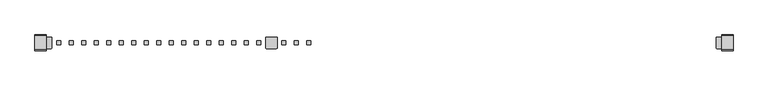
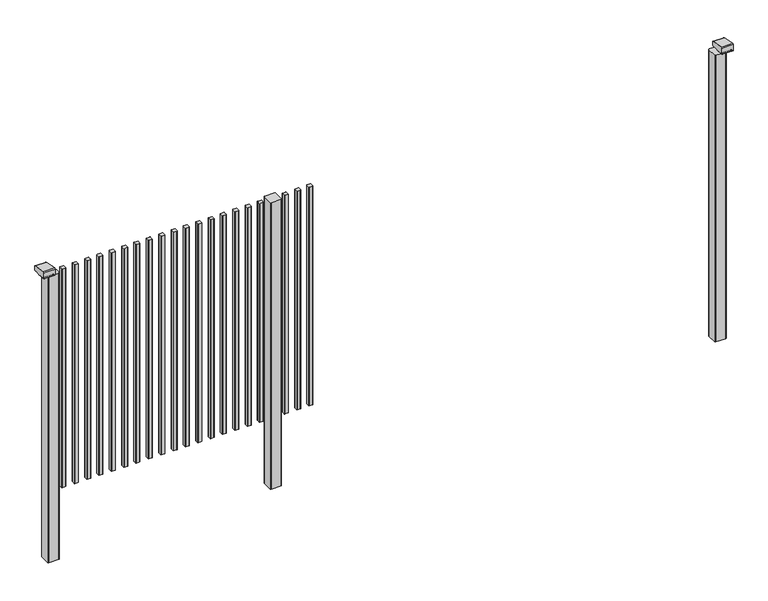
"""IFC4 building model written with IfcOpenShell, lengths in millimetres: railing geometry."""

from ifc_helpers import new_model, si_unit, point, frame, frame_2d, origin, place, context, project, spatial, polyline, circle_curve, trimmed, segment, composite_curve, outline, extrude, source, transform, mapped, element, save
from ifc_brep_helpers import plane_surface, cylinder_surface, advanced_brep


def railing_2c5ab343(model_context):
    return source(origin(), model_context, "Body", "SolidModel", [
        extrude(outline(composite_curve([segment(trimmed(circle_curve(frame_2d((4870.4613577, 8468.4508236)), 1.4), [point((4869.0613577, 8468.4508236))], [point((4870.4613577, 8469.8508236))], False, "CARTESIAN"), True, "CONTINUOUS"), segment(polyline([(4870.4613577, 8469.8508236), (4885.6613607, 8469.8508236)]), True, "CONTINUOUS"), segment(trimmed(circle_curve(frame_2d((4885.6613607, 8468.4508236)), 1.4), [point((4885.6613607, 8469.8508236))], [point((4887.0613607, 8468.4508236))], False, "CARTESIAN"), True, "CONTINUOUS"), segment(polyline([(4887.0613607, 8468.4508236), (4887.0613607, 8453.2507846)]), True, "CONTINUOUS"), segment(trimmed(circle_curve(frame_2d((4885.6613607, 8453.2507846)), 1.4), [point((4887.0613607, 8453.2507846))], [point((4885.6613607, 8451.8507846))], False, "CARTESIAN"), True, "CONTINUOUS"), segment(polyline([(4885.6613607, 8451.8507846), (4870.4613577, 8451.8507846)]), True, "CONTINUOUS"), segment(trimmed(circle_curve(frame_2d((4870.4613577, 8453.2507846)), 1.4), [point((4870.4613577, 8451.8507846))], [point((4869.0613577, 8453.2507846))], False, "CARTESIAN"), True, "CONTINUOUS"), segment(polyline([(4869.0613577, 8453.2507846), (4869.0613577, 8468.4508236)]), True, "CONTINUOUS")], self_intersect=False)), frame((0.0, 0.0, 125.0), z_axis=(0.0, 0.0, 1.0), x_axis=(1.0, 0.0, 0.0)), (0.0, 0.0, 1.0), 1039.2785397),
        extrude(outline(composite_curve([segment(trimmed(circle_curve(frame_2d((4814.9058021, 8468.4508236)), 1.4), [point((4813.5058021, 8468.4508236))], [point((4814.9058021, 8469.8508236))], False, "CARTESIAN"), True, "CONTINUOUS"), segment(polyline([(4814.9058021, 8469.8508236), (4830.1058051, 8469.8508236)]), True, "CONTINUOUS"), segment(trimmed(circle_curve(frame_2d((4830.1058051, 8468.4508236)), 1.4), [point((4830.1058051, 8469.8508236))], [point((4831.5058051, 8468.4508236))], False, "CARTESIAN"), True, "CONTINUOUS"), segment(polyline([(4831.5058051, 8468.4508236), (4831.5058051, 8453.2507846)]), True, "CONTINUOUS"), segment(trimmed(circle_curve(frame_2d((4830.1058051, 8453.2507846)), 1.4), [point((4831.5058051, 8453.2507846))], [point((4830.1058051, 8451.8507846))], False, "CARTESIAN"), True, "CONTINUOUS"), segment(polyline([(4830.1058051, 8451.8507846), (4814.9058021, 8451.8507846)]), True, "CONTINUOUS"), segment(trimmed(circle_curve(frame_2d((4814.9058021, 8453.2507846)), 1.4), [point((4814.9058021, 8451.8507846))], [point((4813.5058021, 8453.2507846))], False, "CARTESIAN"), True, "CONTINUOUS"), segment(polyline([(4813.5058021, 8453.2507846), (4813.5058021, 8468.4508236)]), True, "CONTINUOUS")], self_intersect=False)), frame((0.0, 0.0, 125.0), z_axis=(0.0, 0.0, 1.0), x_axis=(1.0, 0.0, 0.0)), (0.0, 0.0, 1.0), 1039.2785397),
        extrude(outline(composite_curve([segment(trimmed(circle_curve(frame_2d((4759.3502466, 8468.4508236)), 1.4), [point((4757.9502466, 8468.4508236))], [point((4759.3502466, 8469.8508236))], False, "CARTESIAN"), True, "CONTINUOUS"), segment(polyline([(4759.3502466, 8469.8508236), (4774.5502496, 8469.8508236)]), True, "CONTINUOUS"), segment(trimmed(circle_curve(frame_2d((4774.5502496, 8468.4508236)), 1.4), [point((4774.5502496, 8469.8508236))], [point((4775.9502496, 8468.4508236))], False, "CARTESIAN"), True, "CONTINUOUS"), segment(polyline([(4775.9502496, 8468.4508236), (4775.9502496, 8453.2507846)]), True, "CONTINUOUS"), segment(trimmed(circle_curve(frame_2d((4774.5502496, 8453.2507846)), 1.4), [point((4775.9502496, 8453.2507846))], [point((4774.5502496, 8451.8507846))], False, "CARTESIAN"), True, "CONTINUOUS"), segment(polyline([(4774.5502496, 8451.8507846), (4759.3502466, 8451.8507846)]), True, "CONTINUOUS"), segment(trimmed(circle_curve(frame_2d((4759.3502466, 8453.2507846)), 1.4), [point((4759.3502466, 8451.8507846))], [point((4757.9502466, 8453.2507846))], False, "CARTESIAN"), True, "CONTINUOUS"), segment(polyline([(4757.9502466, 8453.2507846), (4757.9502466, 8468.4508236)]), True, "CONTINUOUS")], self_intersect=False)), frame((0.0, 0.0, 125.0), z_axis=(0.0, 0.0, 1.0), x_axis=(1.0, 0.0, 0.0)), (0.0, 0.0, 1.0), 1039.2785397),
        extrude(outline(composite_curve([segment(trimmed(circle_curve(frame_2d((4733.7947043, 8483.2508153)), 3.0), [point((4733.794704, 8486.2508153))], [point((4736.7947043, 8483.2508156))], False, "CARTESIAN"), True, "CONTINUOUS"), segment(polyline([(4736.7947043, 8483.2508156), (4736.7947083, 8438.4507926)]), True, "CONTINUOUS"), segment(trimmed(circle_curve(frame_2d((4733.7947083, 8438.4507923)), 3.0), [point((4736.7947083, 8438.4507926))], [point((4733.7947086, 8435.4507923))], False, "CARTESIAN"), True, "CONTINUOUS"), segment(polyline([(4733.7947086, 8435.4507923), (4688.9946856, 8435.4507883)]), True, "CONTINUOUS"), segment(trimmed(circle_curve(frame_2d((4688.9946853, 8438.4507883)), 3.0), [point((4688.9946856, 8435.4507883))], [point((4685.9946853, 8438.450788))], False, "CARTESIAN"), True, "CONTINUOUS"), segment(polyline([(4685.9946853, 8438.450788), (4685.9946813, 8483.250811)]), True, "CONTINUOUS"), segment(trimmed(circle_curve(frame_2d((4688.9946813, 8483.2508113)), 3.0), [point((4685.9946813, 8483.250811))], [point((4688.994681, 8486.2508113))], False, "CARTESIAN"), True, "CONTINUOUS"), segment(polyline([(4688.994681, 8486.2508113), (4733.794704, 8486.2508153)]), True, "CONTINUOUS")], self_intersect=False)), frame((0.0, 0.0, -198.0), z_axis=(0.0, 0.0, 1.0), x_axis=(1.0, 0.0, 0.0)), (0.0, 0.0, 1.0), 1362.2785397),
        extrude(outline(composite_curve([segment(trimmed(circle_curve(frame_2d((4648.2391355, 8468.4508236)), 1.4), [point((4646.8391355, 8468.4508236))], [point((4648.2391355, 8469.8508236))], False, "CARTESIAN"), True, "CONTINUOUS"), segment(polyline([(4648.2391355, 8469.8508236), (4663.4391385, 8469.8508236)]), True, "CONTINUOUS"), segment(trimmed(circle_curve(frame_2d((4663.4391385, 8468.4508236)), 1.4), [point((4663.4391385, 8469.8508236))], [point((4664.8391385, 8468.4508236))], False, "CARTESIAN"), True, "CONTINUOUS"), segment(polyline([(4664.8391385, 8468.4508236), (4664.8391385, 8453.2507846)]), True, "CONTINUOUS"), segment(trimmed(circle_curve(frame_2d((4663.4391385, 8453.2507846)), 1.4), [point((4664.8391385, 8453.2507846))], [point((4663.4391385, 8451.8507846))], False, "CARTESIAN"), True, "CONTINUOUS"), segment(polyline([(4663.4391385, 8451.8507846), (4648.2391355, 8451.8507846)]), True, "CONTINUOUS"), segment(trimmed(circle_curve(frame_2d((4648.2391355, 8453.2507846)), 1.4), [point((4648.2391355, 8451.8507846))], [point((4646.8391355, 8453.2507846))], False, "CARTESIAN"), True, "CONTINUOUS"), segment(polyline([(4646.8391355, 8453.2507846), (4646.8391355, 8468.4508236)]), True, "CONTINUOUS")], self_intersect=False)), frame((0.0, 0.0, 125.0), z_axis=(0.0, 0.0, 1.0), x_axis=(1.0, 0.0, 0.0)), (0.0, 0.0, 1.0), 1039.2785397),
        extrude(outline(composite_curve([segment(trimmed(circle_curve(frame_2d((4592.6835799, 8468.4508236)), 1.4), [point((4591.2835799, 8468.4508236))], [point((4592.6835799, 8469.8508236))], False, "CARTESIAN"), True, "CONTINUOUS"), segment(polyline([(4592.6835799, 8469.8508236), (4607.8835829, 8469.8508236)]), True, "CONTINUOUS"), segment(trimmed(circle_curve(frame_2d((4607.8835829, 8468.4508236)), 1.4), [point((4607.8835829, 8469.8508236))], [point((4609.2835829, 8468.4508236))], False, "CARTESIAN"), True, "CONTINUOUS"), segment(polyline([(4609.2835829, 8468.4508236), (4609.2835829, 8453.2507846)]), True, "CONTINUOUS"), segment(trimmed(circle_curve(frame_2d((4607.8835829, 8453.2507846)), 1.4), [point((4609.2835829, 8453.2507846))], [point((4607.8835829, 8451.8507846))], False, "CARTESIAN"), True, "CONTINUOUS"), segment(polyline([(4607.8835829, 8451.8507846), (4592.6835799, 8451.8507846)]), True, "CONTINUOUS"), segment(trimmed(circle_curve(frame_2d((4592.6835799, 8453.2507846)), 1.4), [point((4592.6835799, 8451.8507846))], [point((4591.2835799, 8453.2507846))], False, "CARTESIAN"), True, "CONTINUOUS"), segment(polyline([(4591.2835799, 8453.2507846), (4591.2835799, 8468.4508236)]), True, "CONTINUOUS")], self_intersect=False)), frame((0.0, 0.0, 125.0), z_axis=(0.0, 0.0, 1.0), x_axis=(1.0, 0.0, 0.0)), (0.0, 0.0, 1.0), 1039.2785397),
        extrude(outline(composite_curve([segment(trimmed(circle_curve(frame_2d((4537.1280244, 8468.4508236)), 1.4), [point((4535.7280244, 8468.4508236))], [point((4537.1280244, 8469.8508236))], False, "CARTESIAN"), True, "CONTINUOUS"), segment(polyline([(4537.1280244, 8469.8508236), (4552.3280274, 8469.8508236)]), True, "CONTINUOUS"), segment(trimmed(circle_curve(frame_2d((4552.3280274, 8468.4508236)), 1.4), [point((4552.3280274, 8469.8508236))], [point((4553.7280274, 8468.4508236))], False, "CARTESIAN"), True, "CONTINUOUS"), segment(polyline([(4553.7280274, 8468.4508236), (4553.7280274, 8453.2507846)]), True, "CONTINUOUS"), segment(trimmed(circle_curve(frame_2d((4552.3280274, 8453.2507846)), 1.4), [point((4553.7280274, 8453.2507846))], [point((4552.3280274, 8451.8507846))], False, "CARTESIAN"), True, "CONTINUOUS"), segment(polyline([(4552.3280274, 8451.8507846), (4537.1280244, 8451.8507846)]), True, "CONTINUOUS"), segment(trimmed(circle_curve(frame_2d((4537.1280244, 8453.2507846)), 1.4), [point((4537.1280244, 8451.8507846))], [point((4535.7280244, 8453.2507846))], False, "CARTESIAN"), True, "CONTINUOUS"), segment(polyline([(4535.7280244, 8453.2507846), (4535.7280244, 8468.4508236)]), True, "CONTINUOUS")], self_intersect=False)), frame((0.0, 0.0, 125.0), z_axis=(0.0, 0.0, 1.0), x_axis=(1.0, 0.0, 0.0)), (0.0, 0.0, 1.0), 1039.2785397),
        extrude(outline(composite_curve([segment(trimmed(circle_curve(frame_2d((4481.5724688, 8468.4508236)), 1.4), [point((4480.1724688, 8468.4508236))], [point((4481.5724688, 8469.8508236))], False, "CARTESIAN"), True, "CONTINUOUS"), segment(polyline([(4481.5724688, 8469.8508236), (4496.7724718, 8469.8508236)]), True, "CONTINUOUS"), segment(trimmed(circle_curve(frame_2d((4496.7724718, 8468.4508236)), 1.4), [point((4496.7724718, 8469.8508236))], [point((4498.1724718, 8468.4508236))], False, "CARTESIAN"), True, "CONTINUOUS"), segment(polyline([(4498.1724718, 8468.4508236), (4498.1724718, 8453.2507846)]), True, "CONTINUOUS"), segment(trimmed(circle_curve(frame_2d((4496.7724718, 8453.2507846)), 1.4), [point((4498.1724718, 8453.2507846))], [point((4496.7724718, 8451.8507846))], False, "CARTESIAN"), True, "CONTINUOUS"), segment(polyline([(4496.7724718, 8451.8507846), (4481.5724688, 8451.8507846)]), True, "CONTINUOUS"), segment(trimmed(circle_curve(frame_2d((4481.5724688, 8453.2507846)), 1.4), [point((4481.5724688, 8451.8507846))], [point((4480.1724688, 8453.2507846))], False, "CARTESIAN"), True, "CONTINUOUS"), segment(polyline([(4480.1724688, 8453.2507846), (4480.1724688, 8468.4508236)]), True, "CONTINUOUS")], self_intersect=False)), frame((0.0, 0.0, 125.0), z_axis=(0.0, 0.0, 1.0), x_axis=(1.0, 0.0, 0.0)), (0.0, 0.0, 1.0), 1039.2785397),
        extrude(outline(composite_curve([segment(trimmed(circle_curve(frame_2d((4426.0169133, 8468.4508236)), 1.4), [point((4424.6169133, 8468.4508236))], [point((4426.0169133, 8469.8508236))], False, "CARTESIAN"), True, "CONTINUOUS"), segment(polyline([(4426.0169133, 8469.8508236), (4441.2169163, 8469.8508236)]), True, "CONTINUOUS"), segment(trimmed(circle_curve(frame_2d((4441.2169163, 8468.4508236)), 1.4), [point((4441.2169163, 8469.8508236))], [point((4442.6169163, 8468.4508236))], False, "CARTESIAN"), True, "CONTINUOUS"), segment(polyline([(4442.6169163, 8468.4508236), (4442.6169163, 8453.2507846)]), True, "CONTINUOUS"), segment(trimmed(circle_curve(frame_2d((4441.2169163, 8453.2507846)), 1.4), [point((4442.6169163, 8453.2507846))], [point((4441.2169163, 8451.8507846))], False, "CARTESIAN"), True, "CONTINUOUS"), segment(polyline([(4441.2169163, 8451.8507846), (4426.0169133, 8451.8507846)]), True, "CONTINUOUS"), segment(trimmed(circle_curve(frame_2d((4426.0169133, 8453.2507846)), 1.4), [point((4426.0169133, 8451.8507846))], [point((4424.6169133, 8453.2507846))], False, "CARTESIAN"), True, "CONTINUOUS"), segment(polyline([(4424.6169133, 8453.2507846), (4424.6169133, 8468.4508236)]), True, "CONTINUOUS")], self_intersect=False)), frame((0.0, 0.0, 125.0), z_axis=(0.0, 0.0, 1.0), x_axis=(1.0, 0.0, 0.0)), (0.0, 0.0, 1.0), 1039.2785397),
        extrude(outline(composite_curve([segment(trimmed(circle_curve(frame_2d((4370.4613577, 8468.4508236)), 1.4), [point((4369.0613577, 8468.4508236))], [point((4370.4613577, 8469.8508236))], False, "CARTESIAN"), True, "CONTINUOUS"), segment(polyline([(4370.4613577, 8469.8508236), (4385.6613607, 8469.8508236)]), True, "CONTINUOUS"), segment(trimmed(circle_curve(frame_2d((4385.6613607, 8468.4508236)), 1.4), [point((4385.6613607, 8469.8508236))], [point((4387.0613607, 8468.4508236))], False, "CARTESIAN"), True, "CONTINUOUS"), segment(polyline([(4387.0613607, 8468.4508236), (4387.0613607, 8453.2507846)]), True, "CONTINUOUS"), segment(trimmed(circle_curve(frame_2d((4385.6613607, 8453.2507846)), 1.4), [point((4387.0613607, 8453.2507846))], [point((4385.6613607, 8451.8507846))], False, "CARTESIAN"), True, "CONTINUOUS"), segment(polyline([(4385.6613607, 8451.8507846), (4370.4613577, 8451.8507846)]), True, "CONTINUOUS"), segment(trimmed(circle_curve(frame_2d((4370.4613577, 8453.2507846)), 1.4), [point((4370.4613577, 8451.8507846))], [point((4369.0613577, 8453.2507846))], False, "CARTESIAN"), True, "CONTINUOUS"), segment(polyline([(4369.0613577, 8453.2507846), (4369.0613577, 8468.4508236)]), True, "CONTINUOUS")], self_intersect=False)), frame((0.0, 0.0, 125.0), z_axis=(0.0, 0.0, 1.0), x_axis=(1.0, 0.0, 0.0)), (0.0, 0.0, 1.0), 1039.2785397),
        extrude(outline(composite_curve([segment(trimmed(circle_curve(frame_2d((4314.9058021, 8468.4508236)), 1.4), [point((4313.5058021, 8468.4508236))], [point((4314.9058021, 8469.8508236))], False, "CARTESIAN"), True, "CONTINUOUS"), segment(polyline([(4314.9058021, 8469.8508236), (4330.1058051, 8469.8508236)]), True, "CONTINUOUS"), segment(trimmed(circle_curve(frame_2d((4330.1058051, 8468.4508236)), 1.4), [point((4330.1058051, 8469.8508236))], [point((4331.5058051, 8468.4508236))], False, "CARTESIAN"), True, "CONTINUOUS"), segment(polyline([(4331.5058051, 8468.4508236), (4331.5058051, 8453.2507846)]), True, "CONTINUOUS"), segment(trimmed(circle_curve(frame_2d((4330.1058051, 8453.2507846)), 1.4), [point((4331.5058051, 8453.2507846))], [point((4330.1058051, 8451.8507846))], False, "CARTESIAN"), True, "CONTINUOUS"), segment(polyline([(4330.1058051, 8451.8507846), (4314.9058021, 8451.8507846)]), True, "CONTINUOUS"), segment(trimmed(circle_curve(frame_2d((4314.9058021, 8453.2507846)), 1.4), [point((4314.9058021, 8451.8507846))], [point((4313.5058021, 8453.2507846))], False, "CARTESIAN"), True, "CONTINUOUS"), segment(polyline([(4313.5058021, 8453.2507846), (4313.5058021, 8468.4508236)]), True, "CONTINUOUS")], self_intersect=False)), frame((0.0, 0.0, 125.0), z_axis=(0.0, 0.0, 1.0), x_axis=(1.0, 0.0, 0.0)), (0.0, 0.0, 1.0), 1039.2785397),
        extrude(outline(composite_curve([segment(trimmed(circle_curve(frame_2d((4259.3502466, 8468.4508236)), 1.4), [point((4257.9502466, 8468.4508236))], [point((4259.3502466, 8469.8508236))], False, "CARTESIAN"), True, "CONTINUOUS"), segment(polyline([(4259.3502466, 8469.8508236), (4274.5502496, 8469.8508236)]), True, "CONTINUOUS"), segment(trimmed(circle_curve(frame_2d((4274.5502496, 8468.4508236)), 1.4), [point((4274.5502496, 8469.8508236))], [point((4275.9502496, 8468.4508236))], False, "CARTESIAN"), True, "CONTINUOUS"), segment(polyline([(4275.9502496, 8468.4508236), (4275.9502496, 8453.2507846)]), True, "CONTINUOUS"), segment(trimmed(circle_curve(frame_2d((4274.5502496, 8453.2507846)), 1.4), [point((4275.9502496, 8453.2507846))], [point((4274.5502496, 8451.8507846))], False, "CARTESIAN"), True, "CONTINUOUS"), segment(polyline([(4274.5502496, 8451.8507846), (4259.3502466, 8451.8507846)]), True, "CONTINUOUS"), segment(trimmed(circle_curve(frame_2d((4259.3502466, 8453.2507846)), 1.4), [point((4259.3502466, 8451.8507846))], [point((4257.9502466, 8453.2507846))], False, "CARTESIAN"), True, "CONTINUOUS"), segment(polyline([(4257.9502466, 8453.2507846), (4257.9502466, 8468.4508236)]), True, "CONTINUOUS")], self_intersect=False)), frame((0.0, 0.0, 125.0), z_axis=(0.0, 0.0, 1.0), x_axis=(1.0, 0.0, 0.0)), (0.0, 0.0, 1.0), 1039.2785397),
        extrude(outline(composite_curve([segment(trimmed(circle_curve(frame_2d((4203.794691, 8468.4508236)), 1.4), [point((4202.394691, 8468.4508236))], [point((4203.794691, 8469.8508236))], False, "CARTESIAN"), True, "CONTINUOUS"), segment(polyline([(4203.794691, 8469.8508236), (4218.994694, 8469.8508236)]), True, "CONTINUOUS"), segment(trimmed(circle_curve(frame_2d((4218.994694, 8468.4508236)), 1.4), [point((4218.994694, 8469.8508236))], [point((4220.394694, 8468.4508236))], False, "CARTESIAN"), True, "CONTINUOUS"), segment(polyline([(4220.394694, 8468.4508236), (4220.394694, 8453.2507846)]), True, "CONTINUOUS"), segment(trimmed(circle_curve(frame_2d((4218.994694, 8453.2507846)), 1.4), [point((4220.394694, 8453.2507846))], [point((4218.994694, 8451.8507846))], False, "CARTESIAN"), True, "CONTINUOUS"), segment(polyline([(4218.994694, 8451.8507846), (4203.794691, 8451.8507846)]), True, "CONTINUOUS"), segment(trimmed(circle_curve(frame_2d((4203.794691, 8453.2507846)), 1.4), [point((4203.794691, 8451.8507846))], [point((4202.394691, 8453.2507846))], False, "CARTESIAN"), True, "CONTINUOUS"), segment(polyline([(4202.394691, 8453.2507846), (4202.394691, 8468.4508236)]), True, "CONTINUOUS")], self_intersect=False)), frame((0.0, 0.0, 125.0), z_axis=(0.0, 0.0, 1.0), x_axis=(1.0, 0.0, 0.0)), (0.0, 0.0, 1.0), 1039.2785397),
        extrude(outline(composite_curve([segment(trimmed(circle_curve(frame_2d((4148.2391355, 8468.4508236)), 1.4), [point((4146.8391355, 8468.4508236))], [point((4148.2391355, 8469.8508236))], False, "CARTESIAN"), True, "CONTINUOUS"), segment(polyline([(4148.2391355, 8469.8508236), (4163.4391385, 8469.8508236)]), True, "CONTINUOUS"), segment(trimmed(circle_curve(frame_2d((4163.4391385, 8468.4508236)), 1.4), [point((4163.4391385, 8469.8508236))], [point((4164.8391385, 8468.4508236))], False, "CARTESIAN"), True, "CONTINUOUS"), segment(polyline([(4164.8391385, 8468.4508236), (4164.8391385, 8453.2507846)]), True, "CONTINUOUS"), segment(trimmed(circle_curve(frame_2d((4163.4391385, 8453.2507846)), 1.4), [point((4164.8391385, 8453.2507846))], [point((4163.4391385, 8451.8507846))], False, "CARTESIAN"), True, "CONTINUOUS"), segment(polyline([(4163.4391385, 8451.8507846), (4148.2391355, 8451.8507846)]), True, "CONTINUOUS"), segment(trimmed(circle_curve(frame_2d((4148.2391355, 8453.2507846)), 1.4), [point((4148.2391355, 8451.8507846))], [point((4146.8391355, 8453.2507846))], False, "CARTESIAN"), True, "CONTINUOUS"), segment(polyline([(4146.8391355, 8453.2507846), (4146.8391355, 8468.4508236)]), True, "CONTINUOUS")], self_intersect=False)), frame((0.0, 0.0, 125.0), z_axis=(0.0, 0.0, 1.0), x_axis=(1.0, 0.0, 0.0)), (0.0, 0.0, 1.0), 1039.2785397),
        extrude(outline(composite_curve([segment(trimmed(circle_curve(frame_2d((4092.6835799, 8468.4508236)), 1.4), [point((4091.2835799, 8468.4508236))], [point((4092.6835799, 8469.8508236))], False, "CARTESIAN"), True, "CONTINUOUS"), segment(polyline([(4092.6835799, 8469.8508236), (4107.8835829, 8469.8508236)]), True, "CONTINUOUS"), segment(trimmed(circle_curve(frame_2d((4107.8835829, 8468.4508236)), 1.4), [point((4107.8835829, 8469.8508236))], [point((4109.2835829, 8468.4508236))], False, "CARTESIAN"), True, "CONTINUOUS"), segment(polyline([(4109.2835829, 8468.4508236), (4109.2835829, 8453.2507846)]), True, "CONTINUOUS"), segment(trimmed(circle_curve(frame_2d((4107.8835829, 8453.2507846)), 1.4), [point((4109.2835829, 8453.2507846))], [point((4107.8835829, 8451.8507846))], False, "CARTESIAN"), True, "CONTINUOUS"), segment(polyline([(4107.8835829, 8451.8507846), (4092.6835799, 8451.8507846)]), True, "CONTINUOUS"), segment(trimmed(circle_curve(frame_2d((4092.6835799, 8453.2507846)), 1.4), [point((4092.6835799, 8451.8507846))], [point((4091.2835799, 8453.2507846))], False, "CARTESIAN"), True, "CONTINUOUS"), segment(polyline([(4091.2835799, 8453.2507846), (4091.2835799, 8468.4508236)]), True, "CONTINUOUS")], self_intersect=False)), frame((0.0, 0.0, 125.0), z_axis=(0.0, 0.0, 1.0), x_axis=(1.0, 0.0, 0.0)), (0.0, 0.0, 1.0), 1039.2785397),
        extrude(outline(composite_curve([segment(trimmed(circle_curve(frame_2d((4037.1280244, 8468.4508236)), 1.4), [point((4035.7280244, 8468.4508236))], [point((4037.1280244, 8469.8508236))], False, "CARTESIAN"), True, "CONTINUOUS"), segment(polyline([(4037.1280244, 8469.8508236), (4052.3280274, 8469.8508236)]), True, "CONTINUOUS"), segment(trimmed(circle_curve(frame_2d((4052.3280274, 8468.4508236)), 1.4), [point((4052.3280274, 8469.8508236))], [point((4053.7280274, 8468.4508236))], False, "CARTESIAN"), True, "CONTINUOUS"), segment(polyline([(4053.7280274, 8468.4508236), (4053.7280274, 8453.2507846)]), True, "CONTINUOUS"), segment(trimmed(circle_curve(frame_2d((4052.3280274, 8453.2507846)), 1.4), [point((4053.7280274, 8453.2507846))], [point((4052.3280274, 8451.8507846))], False, "CARTESIAN"), True, "CONTINUOUS"), segment(polyline([(4052.3280274, 8451.8507846), (4037.1280244, 8451.8507846)]), True, "CONTINUOUS"), segment(trimmed(circle_curve(frame_2d((4037.1280244, 8453.2507846)), 1.4), [point((4037.1280244, 8451.8507846))], [point((4035.7280244, 8453.2507846))], False, "CARTESIAN"), True, "CONTINUOUS"), segment(polyline([(4035.7280244, 8453.2507846), (4035.7280244, 8468.4508236)]), True, "CONTINUOUS")], self_intersect=False)), frame((0.0, 0.0, 125.0), z_axis=(0.0, 0.0, 1.0), x_axis=(1.0, 0.0, 0.0)), (0.0, 0.0, 1.0), 1039.2785397),
        extrude(outline(composite_curve([segment(trimmed(circle_curve(frame_2d((3981.5724688, 8468.4508236)), 1.4), [point((3980.1724688, 8468.4508236))], [point((3981.5724688, 8469.8508236))], False, "CARTESIAN"), True, "CONTINUOUS"), segment(polyline([(3981.5724688, 8469.8508236), (3996.7724718, 8469.8508236)]), True, "CONTINUOUS"), segment(trimmed(circle_curve(frame_2d((3996.7724718, 8468.4508236)), 1.4), [point((3996.7724718, 8469.8508236))], [point((3998.1724718, 8468.4508236))], False, "CARTESIAN"), True, "CONTINUOUS"), segment(polyline([(3998.1724718, 8468.4508236), (3998.1724718, 8453.2507846)]), True, "CONTINUOUS"), segment(trimmed(circle_curve(frame_2d((3996.7724718, 8453.2507846)), 1.4), [point((3998.1724718, 8453.2507846))], [point((3996.7724718, 8451.8507846))], False, "CARTESIAN"), True, "CONTINUOUS"), segment(polyline([(3996.7724718, 8451.8507846), (3981.5724688, 8451.8507846)]), True, "CONTINUOUS"), segment(trimmed(circle_curve(frame_2d((3981.5724688, 8453.2507846)), 1.4), [point((3981.5724688, 8451.8507846))], [point((3980.1724688, 8453.2507846))], False, "CARTESIAN"), True, "CONTINUOUS"), segment(polyline([(3980.1724688, 8453.2507846), (3980.1724688, 8468.4508236)]), True, "CONTINUOUS")], self_intersect=False)), frame((0.0, 0.0, 125.0), z_axis=(0.0, 0.0, 1.0), x_axis=(1.0, 0.0, 0.0)), (0.0, 0.0, 1.0), 1039.2785397),
        extrude(outline(composite_curve([segment(trimmed(circle_curve(frame_2d((3926.0169133, 8468.4508236)), 1.4), [point((3924.6169133, 8468.4508236))], [point((3926.0169133, 8469.8508236))], False, "CARTESIAN"), True, "CONTINUOUS"), segment(polyline([(3926.0169133, 8469.8508236), (3941.2169163, 8469.8508236)]), True, "CONTINUOUS"), segment(trimmed(circle_curve(frame_2d((3941.2169163, 8468.4508236)), 1.4), [point((3941.2169163, 8469.8508236))], [point((3942.6169163, 8468.4508236))], False, "CARTESIAN"), True, "CONTINUOUS"), segment(polyline([(3942.6169163, 8468.4508236), (3942.6169163, 8453.2507846)]), True, "CONTINUOUS"), segment(trimmed(circle_curve(frame_2d((3941.2169163, 8453.2507846)), 1.4), [point((3942.6169163, 8453.2507846))], [point((3941.2169163, 8451.8507846))], False, "CARTESIAN"), True, "CONTINUOUS"), segment(polyline([(3941.2169163, 8451.8507846), (3926.0169133, 8451.8507846)]), True, "CONTINUOUS"), segment(trimmed(circle_curve(frame_2d((3926.0169133, 8453.2507846)), 1.4), [point((3926.0169133, 8451.8507846))], [point((3924.6169133, 8453.2507846))], False, "CARTESIAN"), True, "CONTINUOUS"), segment(polyline([(3924.6169133, 8453.2507846), (3924.6169133, 8468.4508236)]), True, "CONTINUOUS")], self_intersect=False)), frame((0.0, 0.0, 125.0), z_axis=(0.0, 0.0, 1.0), x_axis=(1.0, 0.0, 0.0)), (0.0, 0.0, 1.0), 1039.2785397),
        extrude(outline(composite_curve([segment(trimmed(circle_curve(frame_2d((3870.4613577, 8468.4508236)), 1.4), [point((3869.0613577, 8468.4508236))], [point((3870.4613577, 8469.8508236))], False, "CARTESIAN"), True, "CONTINUOUS"), segment(polyline([(3870.4613577, 8469.8508236), (3885.6613607, 8469.8508236)]), True, "CONTINUOUS"), segment(trimmed(circle_curve(frame_2d((3885.6613607, 8468.4508236)), 1.4), [point((3885.6613607, 8469.8508236))], [point((3887.0613607, 8468.4508236))], False, "CARTESIAN"), True, "CONTINUOUS"), segment(polyline([(3887.0613607, 8468.4508236), (3887.0613607, 8453.2507846)]), True, "CONTINUOUS"), segment(trimmed(circle_curve(frame_2d((3885.6613607, 8453.2507846)), 1.4), [point((3887.0613607, 8453.2507846))], [point((3885.6613607, 8451.8507846))], False, "CARTESIAN"), True, "CONTINUOUS"), segment(polyline([(3885.6613607, 8451.8507846), (3870.4613577, 8451.8507846)]), True, "CONTINUOUS"), segment(trimmed(circle_curve(frame_2d((3870.4613577, 8453.2507846)), 1.4), [point((3870.4613577, 8451.8507846))], [point((3869.0613577, 8453.2507846))], False, "CARTESIAN"), True, "CONTINUOUS"), segment(polyline([(3869.0613577, 8453.2507846), (3869.0613577, 8468.4508236)]), True, "CONTINUOUS")], self_intersect=False)), frame((0.0, 0.0, 125.0), z_axis=(0.0, 0.0, 1.0), x_axis=(1.0, 0.0, 0.0)), (0.0, 0.0, 1.0), 1039.2785397),
        extrude(outline(composite_curve([segment(trimmed(circle_curve(frame_2d((3814.9058021, 8468.4508236)), 1.4), [point((3813.5058021, 8468.4508236))], [point((3814.9058021, 8469.8508236))], False, "CARTESIAN"), True, "CONTINUOUS"), segment(polyline([(3814.9058021, 8469.8508236), (3830.1058051, 8469.8508236)]), True, "CONTINUOUS"), segment(trimmed(circle_curve(frame_2d((3830.1058051, 8468.4508236)), 1.4), [point((3830.1058051, 8469.8508236))], [point((3831.5058051, 8468.4508236))], False, "CARTESIAN"), True, "CONTINUOUS"), segment(polyline([(3831.5058051, 8468.4508236), (3831.5058051, 8453.2507846)]), True, "CONTINUOUS"), segment(trimmed(circle_curve(frame_2d((3830.1058051, 8453.2507846)), 1.4), [point((3831.5058051, 8453.2507846))], [point((3830.1058051, 8451.8507846))], False, "CARTESIAN"), True, "CONTINUOUS"), segment(polyline([(3830.1058051, 8451.8507846), (3814.9058021, 8451.8507846)]), True, "CONTINUOUS"), segment(trimmed(circle_curve(frame_2d((3814.9058021, 8453.2507846)), 1.4), [point((3814.9058021, 8451.8507846))], [point((3813.5058021, 8453.2507846))], False, "CARTESIAN"), True, "CONTINUOUS"), segment(polyline([(3813.5058021, 8453.2507846), (3813.5058021, 8468.4508236)]), True, "CONTINUOUS")], self_intersect=False)), frame((0.0, 0.0, 125.0), z_axis=(0.0, 0.0, 1.0), x_axis=(1.0, 0.0, 0.0)), (0.0, 0.0, 1.0), 1039.2785397),
        extrude(outline(composite_curve([segment(trimmed(circle_curve(frame_2d((3759.3502466, 8468.4508236)), 1.4), [point((3757.9502466, 8468.4508236))], [point((3759.3502466, 8469.8508236))], False, "CARTESIAN"), True, "CONTINUOUS"), segment(polyline([(3759.3502466, 8469.8508236), (3774.5502496, 8469.8508236)]), True, "CONTINUOUS"), segment(trimmed(circle_curve(frame_2d((3774.5502496, 8468.4508236)), 1.4), [point((3774.5502496, 8469.8508236))], [point((3775.9502496, 8468.4508236))], False, "CARTESIAN"), True, "CONTINUOUS"), segment(polyline([(3775.9502496, 8468.4508236), (3775.9502496, 8453.2507846)]), True, "CONTINUOUS"), segment(trimmed(circle_curve(frame_2d((3774.5502496, 8453.2507846)), 1.4), [point((3775.9502496, 8453.2507846))], [point((3774.5502496, 8451.8507846))], False, "CARTESIAN"), True, "CONTINUOUS"), segment(polyline([(3774.5502496, 8451.8507846), (3759.3502466, 8451.8507846)]), True, "CONTINUOUS"), segment(trimmed(circle_curve(frame_2d((3759.3502466, 8453.2507846)), 1.4), [point((3759.3502466, 8451.8507846))], [point((3757.9502466, 8453.2507846))], False, "CARTESIAN"), True, "CONTINUOUS"), segment(polyline([(3757.9502466, 8453.2507846), (3757.9502466, 8468.4508236)]), True, "CONTINUOUS")], self_intersect=False)), frame((0.0, 0.0, 125.0), z_axis=(0.0, 0.0, 1.0), x_axis=(1.0, 0.0, 0.0)), (0.0, 0.0, 1.0), 1039.2785397),
        extrude(outline(composite_curve([segment(trimmed(circle_curve(frame_2d((6733.7947043, 8483.2508153)), 3.0), [point((6733.794704, 8486.2508153))], [point((6736.7947043, 8483.2508156))], False, "CARTESIAN"), True, "CONTINUOUS"), segment(polyline([(6736.7947043, 8483.2508156), (6736.7947083, 8438.4507926)]), True, "CONTINUOUS"), segment(trimmed(circle_curve(frame_2d((6733.7947083, 8438.4507923)), 3.0), [point((6736.7947083, 8438.4507926))], [point((6733.7947086, 8435.4507923))], False, "CARTESIAN"), True, "CONTINUOUS"), segment(polyline([(6733.7947086, 8435.4507923), (6688.9946856, 8435.4507883)]), True, "CONTINUOUS"), segment(trimmed(circle_curve(frame_2d((6688.9946853, 8438.4507883)), 3.0), [point((6688.9946856, 8435.4507883))], [point((6685.9946853, 8438.450788))], False, "CARTESIAN"), True, "CONTINUOUS"), segment(polyline([(6685.9946853, 8438.450788), (6685.9946813, 8483.250811)]), True, "CONTINUOUS"), segment(trimmed(circle_curve(frame_2d((6688.9946813, 8483.2508113)), 3.0), [point((6685.9946813, 8483.250811))], [point((6688.994681, 8486.2508113))], False, "CARTESIAN"), True, "CONTINUOUS"), segment(polyline([(6688.994681, 8486.2508113), (6733.794704, 8486.2508153)]), True, "CONTINUOUS")], self_intersect=False)), frame((0.0, 0.0, -198.0), z_axis=(0.0, 0.0, 1.0), x_axis=(1.0, 0.0, 0.0)), (0.0, 0.0, 1.0), 1362.2785397),
        advanced_brep(
        [(6761.3946838, 8429.3630551, 1199.9544233), (6761.3946838, 8425.8421106, 1197.0), (6761.3946838, 8425.8421106, 1169.2), (6761.3946838, 8428.8421106, 1166.2), (6761.3946838, 8433.6920245, 1166.2), (6761.3946838, 8434.5830297, 1166.9730759), (6761.3946838, 8435.1561053, 1166.4000003), (6761.3946838, 8453.2660875, 1166.4000003), (6761.3946838, 8453.8619702, 1165.6106384), (6761.3946838, 8467.8416451, 1165.6114192), (6761.3946838, 8468.4355206, 1166.4000003), (6761.3946838, 8486.5960229, 1166.4000003), (6761.3946838, 8487.0960229, 1166.9000033), (6761.3946838, 8488.0249587, 1166.2), (6761.3946838, 8492.8421106, 1166.2), (6761.3946838, 8495.8421106, 1169.2), (6761.3946838, 8495.8421106, 1185.7150732), (6761.3946838, 8493.3630551, 1188.6694965), (6711.3946838, 8429.3630551, 1199.9544233), (6711.3946838, 8493.3630551, 1188.6694965), (6711.3946838, 8495.8421106, 1185.7150732), (6711.3946838, 8495.8421106, 1169.2), (6711.3946838, 8492.8421106, 1166.2), (6711.3946838, 8488.0249587, 1166.2), (6711.3946838, 8487.0960229, 1166.9000033), (6711.3946838, 8486.5960229, 1166.4000003), (6711.3946838, 8468.4355206, 1166.4000003), (6711.3946838, 8467.8416397, 1165.6114328), (6711.3946838, 8453.8585412, 1165.6114192), (6711.3946838, 8453.2660875, 1166.4000003), (6711.3946838, 8435.1561053, 1166.4000003), (6711.3946838, 8434.5830297, 1166.9730759), (6711.3946838, 8433.6920245, 1166.2), (6711.3946838, 8428.8421106, 1166.2), (6711.3946838, 8425.8421106, 1169.2), (6711.3946838, 8425.8421106, 1197.0)],
        [
            (0, 1, circle_curve(frame((6761.3946838, 8428.8421106, 1197.0), z_axis=(1.0, 0.0, 0.0), x_axis=(0.0, 0.17364817766704857, 0.9848077530121873)), 3.0)),
            (1, 2),
            (2, 3, circle_curve(frame((6761.3946838, 8428.8421106, 1169.2), z_axis=(1.0, 0.0, 0.0), x_axis=(0.0, -1.0, 0.0)), 3.0)),
            (3, 4),
            (4, 5, circle_curve(frame((6761.3946838, 8433.6920245, 1167.1), z_axis=(1.0, 0.0, 0.0), x_axis=(0.0, 0.0, -1.0)), 0.9)),
            (5, 6, circle_curve(frame((6761.3946838, 8435.1561053, 1166.9730759), z_axis=(1.0, 0.0, 0.0), x_axis=(0.0, -1.0, 0.0)), 0.5730756)),
            (6, 7),
            (7, 8, circle_curve(frame((6761.3946838, 8454.2114065, 1166.4940192), z_axis=(1.0, 0.0, 0.0), x_axis=(0.0, -1.0, 0.0)), 0.9499829)),
            (8, 9, circle_curve(frame((6761.3946838, 8460.8500931, 1183.2818957), z_axis=(1.0, 0.0, 0.0), x_axis=(0.0, -1.0, 0.0)), 19.003356)),
            (9, 10, circle_curve(frame((6761.3946838, 8467.4902016, 1166.4940192), z_axis=(1.0, 0.0, 0.0), x_axis=(0.0, 1.0, 0.0)), 0.9499829)),
            (10, 11),
            (11, 12, circle_curve(frame((6761.3946838, 8486.5960229, 1166.9000003), z_axis=(1.0, 0.0, 0.0), x_axis=(0.0, 0.0, -1.0)), 0.5)),
            (12, 13, circle_curve(frame((6761.3946838, 8488.0072204, 1167.1428319), z_axis=(1.0, 0.0, 0.0), x_axis=(0.0, -1.0, 0.0)), 0.9429987)),
            (13, 14),
            (14, 15, circle_curve(frame((6761.3946838, 8492.8421106, 1169.2), z_axis=(1.0, 0.0, 0.0), x_axis=(0.0, 0.0, -1.0)), 3.0)),
            (15, 16),
            (16, 17, circle_curve(frame((6761.3946838, 8492.8421106, 1185.7150732), z_axis=(1.0, 0.0, 0.0), x_axis=(0.0, 1.0, 0.0)), 3.0)),
            (17, 0),
            (18, 19),
            (19, 20, circle_curve(frame((6711.3946838, 8492.8421106, 1185.7150732), z_axis=(-1.0, 0.0, 0.0), x_axis=(0.0, 1.0, 0.0)), 3.0)),
            (20, 21),
            (21, 22, circle_curve(frame((6711.3946838, 8492.8421106, 1169.2), z_axis=(-1.0, 0.0, 0.0), x_axis=(0.0, 0.0, -1.0)), 3.0)),
            (22, 23),
            (23, 24, circle_curve(frame((6711.3946838, 8488.0072204, 1167.1428319), z_axis=(-1.0, 0.0, 0.0), x_axis=(0.0, -1.0, 0.0)), 0.9429987)),
            (24, 25, circle_curve(frame((6711.3946838, 8486.5960229, 1166.9000003), z_axis=(-1.0, 0.0, 0.0), x_axis=(0.0, 0.0, -1.0)), 0.5)),
            (25, 26),
            (26, 27, circle_curve(frame((6711.3946838, 8467.4902016, 1166.4940192), z_axis=(-1.0, 0.0, 0.0), x_axis=(0.0, 1.0, 0.0)), 0.9499829)),
            (27, 28, circle_curve(frame((6711.3946838, 8460.8500931, 1183.2818957), z_axis=(-1.0, 0.0, 0.0), x_axis=(0.0, -1.0, 0.0)), 19.003356)),
            (28, 29, circle_curve(frame((6711.3946838, 8454.2114065, 1166.4940192), z_axis=(-1.0, 0.0, 0.0), x_axis=(0.0, -1.0, 0.0)), 0.9499829)),
            (29, 30),
            (30, 31, circle_curve(frame((6711.3946838, 8435.1561053, 1166.9730759), z_axis=(-1.0, 0.0, 0.0), x_axis=(0.0, -1.0, 0.0)), 0.5730756)),
            (31, 32, circle_curve(frame((6711.3946838, 8433.6920245, 1167.1), z_axis=(-1.0, 0.0, 0.0), x_axis=(0.0, 0.0, -1.0)), 0.9)),
            (32, 33),
            (33, 34, circle_curve(frame((6711.3946838, 8428.8421106, 1169.2), z_axis=(-1.0, 0.0, 0.0), x_axis=(0.0, -1.0, 0.0)), 3.0)),
            (34, 35),
            (35, 18, circle_curve(frame((6711.3946838, 8428.8421106, 1197.0), z_axis=(-1.0, 0.0, 0.0), x_axis=(0.0, 0.17364817766704857, 0.9848077530121873)), 3.0)),
            (0, 18),
            (35, 1),
            (34, 2),
            (33, 3),
            (32, 4),
            (31, 5),
            (30, 6),
            (29, 7),
            (28, 8),
            (27, 9),
            (26, 10),
            (25, 11),
            (24, 12),
            (23, 13),
            (22, 14),
            (21, 15),
            (20, 16),
            (19, 17),
        ],
        [
            plane_surface(frame((6761.3946838, 8460.8508041, 1200.0), z_axis=(1.0, 0.0, 0.0), x_axis=(0.0, 1.0, 0.0))),
            plane_surface(frame((6711.3946838, 8460.8508041, 1200.0), z_axis=(-1.0, 0.0, 0.0), x_axis=(0.0, 1.0, 0.0))),
            cylinder_surface(frame((6761.3946838, 8428.8421106, 1197.0), z_axis=(1.0, 0.0, 0.0), x_axis=(0.0, 0.17364817766704857, 0.9848077530121873)), 3.0),
            plane_surface(frame((6761.3946838, 8425.8421106, 1197.0), z_axis=(0.0, -1.0, 0.0), x_axis=(-1.0, 0.0, 0.0))),
            cylinder_surface(frame((6761.3946838, 8428.8421106, 1169.2), z_axis=(1.0, 0.0, 0.0), x_axis=(0.0, -1.0, 0.0)), 3.0),
            plane_surface(frame((6761.3946838, 8428.8421106, 1166.2), z_axis=(0.0, 0.0, -1.0), x_axis=(-1.0, 0.0, 0.0))),
            cylinder_surface(frame((6761.3946838, 8433.6920245, 1167.1), z_axis=(1.0, 0.0, 0.0), x_axis=(0.0, 0.0, -1.0)), 0.9),
            cylinder_surface(frame((6761.3946838, 8435.1561053, 1166.9730759), z_axis=(1.0, 0.0, 0.0), x_axis=(0.0, -1.0, 0.0)), 0.5730756),
            plane_surface(frame((6761.3946838, 8435.1561053, 1166.4000003), z_axis=(0.0, 0.0, -1.0), x_axis=(-1.0, 0.0, 0.0))),
            cylinder_surface(frame((6761.3946838, 8454.2114065, 1166.4940192), z_axis=(1.0, 0.0, 0.0), x_axis=(0.0, -1.0, 0.0)), 0.9499829),
            cylinder_surface(frame((6761.3946838, 8460.8500931, 1183.2818957), z_axis=(1.0, 0.0, 0.0), x_axis=(0.0, -1.0, 0.0)), 19.003356),
            cylinder_surface(frame((6761.3946838, 8467.4902016, 1166.4940192), z_axis=(1.0, 0.0, 0.0), x_axis=(0.0, 1.0, 0.0)), 0.9499829),
            plane_surface(frame((6761.3946838, 8468.4355206, 1166.4000003), z_axis=(0.0, 0.0, -1.0), x_axis=(-1.0, 0.0, 0.0))),
            cylinder_surface(frame((6761.3946838, 8486.5960229, 1166.9000003), z_axis=(1.0, 0.0, 0.0), x_axis=(0.0, 0.0, -1.0)), 0.5),
            cylinder_surface(frame((6761.3946838, 8488.0072204, 1167.1428319), z_axis=(1.0, 0.0, 0.0), x_axis=(0.0, -1.0, 0.0)), 0.9429987),
            plane_surface(frame((6761.3946838, 8488.0249587, 1166.2), z_axis=(0.0, 0.0, -1.0), x_axis=(-1.0, 0.0, 0.0))),
            cylinder_surface(frame((6761.3946838, 8492.8421106, 1169.2), z_axis=(1.0, 0.0, 0.0), x_axis=(0.0, 0.0, -1.0)), 3.0),
            plane_surface(frame((6761.3946838, 8495.8421106, 1169.2), z_axis=(0.0, 1.0, 0.0), x_axis=(-1.0, 0.0, 0.0))),
            cylinder_surface(frame((6761.3946838, 8492.8421106, 1185.7150732), z_axis=(1.0, 0.0, 0.0), x_axis=(0.0, 1.0, 0.0)), 3.0),
            plane_surface(frame((6761.3946838, 8493.3630551, 1188.6694965), z_axis=(0.0, 0.1736481776669561, 0.9848077530122036), x_axis=(-1.0, 0.0, 0.0))),
        ],
        [
            (0, [[1, 2, 3, 4, 5, 6, 7, 8, 9, 10, 11, 12, 13, 14, 15, 16, 17, 18]]),
            (1, [[19, 20, 21, 22, 23, 24, 25, 26, 27, 28, 29, 30, 31, 32, 33, 34, 35, 36]]),
            (2, [[-1, 37, -36, 38]]),
            (3, [[-2, -38, -35, 39]]),
            (4, [[-3, -39, -34, 40]]),
            (5, [[-4, -40, -33, 41]]),
            (6, [[-5, -41, -32, 42]]),
            (7, [[-6, -42, -31, 43]]),
            (8, [[-7, -43, -30, 44]]),
            (9, [[-8, -44, -29, 45]]),
            (10, [[-9, -45, -28, 46]]),
            (11, [[-10, -46, -27, 47]]),
            (12, [[-11, -47, -26, 48]]),
            (13, [[-12, -48, -25, 49]]),
            (14, [[-13, -49, -24, 50]]),
            (15, [[-14, -50, -23, 51]]),
            (16, [[-15, -51, -22, 52]]),
            (17, [[-16, -52, -21, 53]]),
            (18, [[-17, -53, -20, 54]]),
            (19, [[-18, -54, -19, -37]]),
        ],
    ),
        extrude(outline(composite_curve([segment(trimmed(circle_curve(frame_2d((3733.7947043, 8483.2508153)), 3.0), [point((3733.794704, 8486.2508153))], [point((3736.7947043, 8483.2508156))], False, "CARTESIAN"), True, "CONTINUOUS"), segment(polyline([(3736.7947043, 8483.2508156), (3736.7947083, 8438.4507926)]), True, "CONTINUOUS"), segment(trimmed(circle_curve(frame_2d((3733.7947083, 8438.4507923)), 3.0), [point((3736.7947083, 8438.4507926))], [point((3733.7947086, 8435.4507923))], False, "CARTESIAN"), True, "CONTINUOUS"), segment(polyline([(3733.7947086, 8435.4507923), (3688.9946856, 8435.4507883)]), True, "CONTINUOUS"), segment(trimmed(circle_curve(frame_2d((3688.9946853, 8438.4507883)), 3.0), [point((3688.9946856, 8435.4507883))], [point((3685.9946853, 8438.450788))], False, "CARTESIAN"), True, "CONTINUOUS"), segment(polyline([(3685.9946853, 8438.450788), (3685.9946813, 8483.250811)]), True, "CONTINUOUS"), segment(trimmed(circle_curve(frame_2d((3688.9946813, 8483.2508113)), 3.0), [point((3685.9946813, 8483.250811))], [point((3688.994681, 8486.2508113))], False, "CARTESIAN"), True, "CONTINUOUS"), segment(polyline([(3688.994681, 8486.2508113), (3733.794704, 8486.2508153)]), True, "CONTINUOUS")], self_intersect=False)), frame((0.0, 0.0, -198.0), z_axis=(0.0, 0.0, 1.0), x_axis=(1.0, 0.0, 0.0)), (0.0, 0.0, 1.0), 1362.2785397),
        advanced_brep(
        [(3711.3946838, 8429.3630551, 1199.9544233), (3711.3946838, 8425.8421106, 1197.0), (3711.3946838, 8425.8421106, 1169.2), (3711.3946838, 8428.8421106, 1166.2), (3711.3946838, 8433.6920245, 1166.2), (3711.3946838, 8434.5830297, 1166.9730759), (3711.3946838, 8435.1561053, 1166.4000003), (3711.3946838, 8453.2660875, 1166.4000003), (3711.3946838, 8453.8619702, 1165.6106384), (3711.3946838, 8467.8416451, 1165.6114192), (3711.3946838, 8468.4355206, 1166.4000003), (3711.3946838, 8486.5960229, 1166.4000003), (3711.3946838, 8487.0960229, 1166.9000033), (3711.3946838, 8488.0249587, 1166.2), (3711.3946838, 8492.8421106, 1166.2), (3711.3946838, 8495.8421106, 1169.2), (3711.3946838, 8495.8421106, 1185.7150732), (3711.3946838, 8493.3630551, 1188.6694965), (3661.3946838, 8429.3630551, 1199.9544233), (3661.3946838, 8493.3630551, 1188.6694965), (3661.3946838, 8495.8421106, 1185.7150732), (3661.3946838, 8495.8421106, 1169.2), (3661.3946838, 8492.8421106, 1166.2), (3661.3946838, 8488.0249587, 1166.2), (3661.3946838, 8487.0960229, 1166.9000033), (3661.3946838, 8486.5960229, 1166.4000003), (3661.3946838, 8468.4355206, 1166.4000003), (3661.3946838, 8467.8416397, 1165.6114328), (3661.3946838, 8453.8585412, 1165.6114192), (3661.3946838, 8453.2660875, 1166.4000003), (3661.3946838, 8435.1561053, 1166.4000003), (3661.3946838, 8434.5830297, 1166.9730759), (3661.3946838, 8433.6920245, 1166.2), (3661.3946838, 8428.8421106, 1166.2), (3661.3946838, 8425.8421106, 1169.2), (3661.3946838, 8425.8421106, 1197.0)],
        [
            (0, 1, circle_curve(frame((3711.3946838, 8428.8421106, 1197.0), z_axis=(1.0, 0.0, 0.0), x_axis=(0.0, 0.17364817766704857, 0.9848077530121873)), 3.0)),
            (1, 2),
            (2, 3, circle_curve(frame((3711.3946838, 8428.8421106, 1169.2), z_axis=(1.0, 0.0, 0.0), x_axis=(0.0, -1.0, 0.0)), 3.0)),
            (3, 4),
            (4, 5, circle_curve(frame((3711.3946838, 8433.6920245, 1167.1), z_axis=(1.0, 0.0, 0.0), x_axis=(0.0, 0.0, -1.0)), 0.9)),
            (5, 6, circle_curve(frame((3711.3946838, 8435.1561053, 1166.9730759), z_axis=(1.0, 0.0, 0.0), x_axis=(0.0, -1.0, 0.0)), 0.5730756)),
            (6, 7),
            (7, 8, circle_curve(frame((3711.3946838, 8454.2114065, 1166.4940192), z_axis=(1.0, 0.0, 0.0), x_axis=(0.0, -1.0, 0.0)), 0.9499829)),
            (8, 9, circle_curve(frame((3711.3946838, 8460.8500931, 1183.2818957), z_axis=(1.0, 0.0, 0.0), x_axis=(0.0, -1.0, 0.0)), 19.003356)),
            (9, 10, circle_curve(frame((3711.3946838, 8467.4902016, 1166.4940192), z_axis=(1.0, 0.0, 0.0), x_axis=(0.0, 1.0, 0.0)), 0.9499829)),
            (10, 11),
            (11, 12, circle_curve(frame((3711.3946838, 8486.5960229, 1166.9000003), z_axis=(1.0, 0.0, 0.0), x_axis=(0.0, 0.0, -1.0)), 0.5)),
            (12, 13, circle_curve(frame((3711.3946838, 8488.0072204, 1167.1428319), z_axis=(1.0, 0.0, 0.0), x_axis=(0.0, -1.0, 0.0)), 0.9429987)),
            (13, 14),
            (14, 15, circle_curve(frame((3711.3946838, 8492.8421106, 1169.2), z_axis=(1.0, 0.0, 0.0), x_axis=(0.0, 0.0, -1.0)), 3.0)),
            (15, 16),
            (16, 17, circle_curve(frame((3711.3946838, 8492.8421106, 1185.7150732), z_axis=(1.0, 0.0, 0.0), x_axis=(0.0, 1.0, 0.0)), 3.0)),
            (17, 0),
            (18, 19),
            (19, 20, circle_curve(frame((3661.3946838, 8492.8421106, 1185.7150732), z_axis=(-1.0, 0.0, 0.0), x_axis=(0.0, 1.0, 0.0)), 3.0)),
            (20, 21),
            (21, 22, circle_curve(frame((3661.3946838, 8492.8421106, 1169.2), z_axis=(-1.0, 0.0, 0.0), x_axis=(0.0, 0.0, -1.0)), 3.0)),
            (22, 23),
            (23, 24, circle_curve(frame((3661.3946838, 8488.0072204, 1167.1428319), z_axis=(-1.0, 0.0, 0.0), x_axis=(0.0, -1.0, 0.0)), 0.9429987)),
            (24, 25, circle_curve(frame((3661.3946838, 8486.5960229, 1166.9000003), z_axis=(-1.0, 0.0, 0.0), x_axis=(0.0, 0.0, -1.0)), 0.5)),
            (25, 26),
            (26, 27, circle_curve(frame((3661.3946838, 8467.4902016, 1166.4940192), z_axis=(-1.0, 0.0, 0.0), x_axis=(0.0, 1.0, 0.0)), 0.9499829)),
            (27, 28, circle_curve(frame((3661.3946838, 8460.8500931, 1183.2818957), z_axis=(-1.0, 0.0, 0.0), x_axis=(0.0, -1.0, 0.0)), 19.003356)),
            (28, 29, circle_curve(frame((3661.3946838, 8454.2114065, 1166.4940192), z_axis=(-1.0, 0.0, 0.0), x_axis=(0.0, -1.0, 0.0)), 0.9499829)),
            (29, 30),
            (30, 31, circle_curve(frame((3661.3946838, 8435.1561053, 1166.9730759), z_axis=(-1.0, 0.0, 0.0), x_axis=(0.0, -1.0, 0.0)), 0.5730756)),
            (31, 32, circle_curve(frame((3661.3946838, 8433.6920245, 1167.1), z_axis=(-1.0, 0.0, 0.0), x_axis=(0.0, 0.0, -1.0)), 0.9)),
            (32, 33),
            (33, 34, circle_curve(frame((3661.3946838, 8428.8421106, 1169.2), z_axis=(-1.0, 0.0, 0.0), x_axis=(0.0, -1.0, 0.0)), 3.0)),
            (34, 35),
            (35, 18, circle_curve(frame((3661.3946838, 8428.8421106, 1197.0), z_axis=(-1.0, 0.0, 0.0), x_axis=(0.0, 0.17364817766704857, 0.9848077530121873)), 3.0)),
            (0, 18),
            (35, 1),
            (34, 2),
            (33, 3),
            (32, 4),
            (31, 5),
            (30, 6),
            (29, 7),
            (28, 8),
            (27, 9),
            (26, 10),
            (25, 11),
            (24, 12),
            (23, 13),
            (22, 14),
            (21, 15),
            (20, 16),
            (19, 17),
        ],
        [
            plane_surface(frame((3711.3946838, 8460.8508041, 1200.0), z_axis=(1.0, 0.0, 0.0), x_axis=(0.0, 1.0, 0.0))),
            plane_surface(frame((3661.3946838, 8460.8508041, 1200.0), z_axis=(-1.0, 0.0, 0.0), x_axis=(0.0, 1.0, 0.0))),
            cylinder_surface(frame((3711.3946838, 8428.8421106, 1197.0), z_axis=(1.0, 0.0, 0.0), x_axis=(0.0, 0.17364817766704857, 0.9848077530121873)), 3.0),
            plane_surface(frame((3711.3946838, 8425.8421106, 1197.0), z_axis=(0.0, -1.0, 0.0), x_axis=(-1.0, 0.0, 0.0))),
            cylinder_surface(frame((3711.3946838, 8428.8421106, 1169.2), z_axis=(1.0, 0.0, 0.0), x_axis=(0.0, -1.0, 0.0)), 3.0),
            plane_surface(frame((3711.3946838, 8428.8421106, 1166.2), z_axis=(0.0, 0.0, -1.0), x_axis=(-1.0, 0.0, 0.0))),
            cylinder_surface(frame((3711.3946838, 8433.6920245, 1167.1), z_axis=(1.0, 0.0, 0.0), x_axis=(0.0, 0.0, -1.0)), 0.9),
            cylinder_surface(frame((3711.3946838, 8435.1561053, 1166.9730759), z_axis=(1.0, 0.0, 0.0), x_axis=(0.0, -1.0, 0.0)), 0.5730756),
            plane_surface(frame((3711.3946838, 8435.1561053, 1166.4000003), z_axis=(0.0, 0.0, -1.0), x_axis=(-1.0, 0.0, 0.0))),
            cylinder_surface(frame((3711.3946838, 8454.2114065, 1166.4940192), z_axis=(1.0, 0.0, 0.0), x_axis=(0.0, -1.0, 0.0)), 0.9499829),
            cylinder_surface(frame((3711.3946838, 8460.8500931, 1183.2818957), z_axis=(1.0, 0.0, 0.0), x_axis=(0.0, -1.0, 0.0)), 19.003356),
            cylinder_surface(frame((3711.3946838, 8467.4902016, 1166.4940192), z_axis=(1.0, 0.0, 0.0), x_axis=(0.0, 1.0, 0.0)), 0.9499829),
            plane_surface(frame((3711.3946838, 8468.4355206, 1166.4000003), z_axis=(0.0, 0.0, -1.0), x_axis=(-1.0, 0.0, 0.0))),
            cylinder_surface(frame((3711.3946838, 8486.5960229, 1166.9000003), z_axis=(1.0, 0.0, 0.0), x_axis=(0.0, 0.0, -1.0)), 0.5),
            cylinder_surface(frame((3711.3946838, 8488.0072204, 1167.1428319), z_axis=(1.0, 0.0, 0.0), x_axis=(0.0, -1.0, 0.0)), 0.9429987),
            plane_surface(frame((3711.3946838, 8488.0249587, 1166.2), z_axis=(0.0, 0.0, -1.0), x_axis=(-1.0, 0.0, 0.0))),
            cylinder_surface(frame((3711.3946838, 8492.8421106, 1169.2), z_axis=(1.0, 0.0, 0.0), x_axis=(0.0, 0.0, -1.0)), 3.0),
            plane_surface(frame((3711.3946838, 8495.8421106, 1169.2), z_axis=(0.0, 1.0, 0.0), x_axis=(-1.0, 0.0, 0.0))),
            cylinder_surface(frame((3711.3946838, 8492.8421106, 1185.7150732), z_axis=(1.0, 0.0, 0.0), x_axis=(0.0, 1.0, 0.0)), 3.0),
            plane_surface(frame((3711.3946838, 8493.3630551, 1188.6694965), z_axis=(0.0, 0.1736481776669561, 0.9848077530122036), x_axis=(-1.0, 0.0, 0.0))),
        ],
        [
            (0, [[1, 2, 3, 4, 5, 6, 7, 8, 9, 10, 11, 12, 13, 14, 15, 16, 17, 18]]),
            (1, [[19, 20, 21, 22, 23, 24, 25, 26, 27, 28, 29, 30, 31, 32, 33, 34, 35, 36]]),
            (2, [[-1, 37, -36, 38]]),
            (3, [[-2, -38, -35, 39]]),
            (4, [[-3, -39, -34, 40]]),
            (5, [[-4, -40, -33, 41]]),
            (6, [[-5, -41, -32, 42]]),
            (7, [[-6, -42, -31, 43]]),
            (8, [[-7, -43, -30, 44]]),
            (9, [[-8, -44, -29, 45]]),
            (10, [[-9, -45, -28, 46]]),
            (11, [[-10, -46, -27, 47]]),
            (12, [[-11, -47, -26, 48]]),
            (13, [[-12, -48, -25, 49]]),
            (14, [[-13, -49, -24, 50]]),
            (15, [[-14, -50, -23, 51]]),
            (16, [[-15, -51, -22, 52]]),
            (17, [[-16, -52, -21, 53]]),
            (18, [[-17, -53, -20, 54]]),
            (19, [[-18, -54, -19, -37]]),
        ],
    ),
    ])


if __name__ == "__main__":
    model = new_model("IFC4")
    model_context = context("Model", 3, world=origin())
    ifc_project = project(units=[si_unit("LENGTHUNIT", "METRE", prefix="MILLI")], contexts=[model_context])
    site = spatial("IfcSite", under=ifc_project)
    building = spatial("IfcBuilding", under=site)
    placement = place(None, origin())
    railing_shape = railing_2c5ab343(model_context)
    element("IfcRailing", 1, at=placement, inside=building, context=model_context, shape_type="MappedRepresentation", body=[
        mapped(railing_shape, transform((0.0, 0.0, 0.0), x_axis=(1.0, 0.0, 0.0), y_axis=(0.0, 1.0, 0.0), z_axis=(0.0, 0.0, 1.0))),
    ])
    save(model, "model.ifc")
